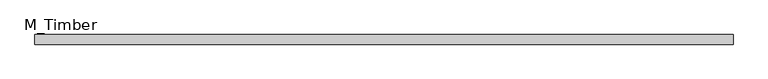
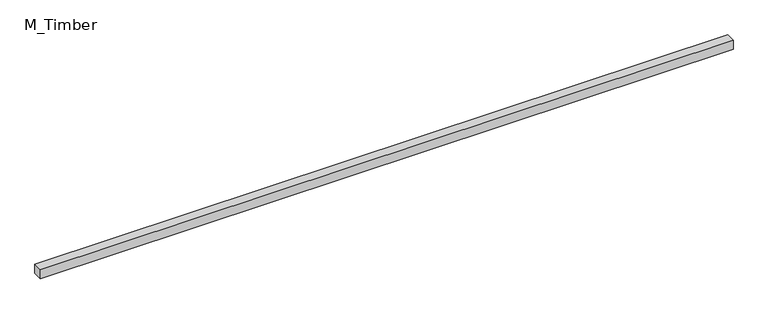
"""IFC4 building model written with IfcOpenShell, lengths in millimetres: beam geometry, M_Timber."""

from ifc_helpers import new_model, si_unit, frame, origin, place, context, project, spatial, polyline, outline, extrude, source, transform, mapped, element, save


def m_timber_3b330626(model_context):
    return source(origin(), model_context, "Body", "SweptSolid", [
        extrude(outline(polyline([(1443.3344614, 20.0), (1443.3344614, -20.0), (-1443.3344614, -20.0), (-1443.3344614, 20.0), (1443.3344614, 20.0)])), frame((0.0, 0.0, -20.0), z_axis=(0.0, 0.0, 1.0), x_axis=(1.0, 0.0, 0.0)), (0.0, 0.0, 1.0), 40.0),
    ])


if __name__ == "__main__":
    model = new_model("IFC4")
    model_context = context("Model", 3, world=origin())
    ifc_project = project(units=[si_unit("LENGTHUNIT", "METRE", prefix="MILLI")], contexts=[model_context])
    site = spatial("IfcSite", under=ifc_project)
    building = spatial("IfcBuilding", under=site)
    placement = place(None, origin())
    m_timber_shape = m_timber_3b330626(model_context)
    element("IfcBeam", 1, ObjectType="M_Timber", at=placement, inside=building, context=model_context, shape_type="MappedRepresentation", body=[
        mapped(m_timber_shape, transform((0.0, 0.0, 0.0), x_axis=(1.0, 0.0, 0.0), y_axis=(0.0, 1.0, 0.0), z_axis=(0.0, 0.0, 1.0))),
    ])
    save(model, "model.ifc")
